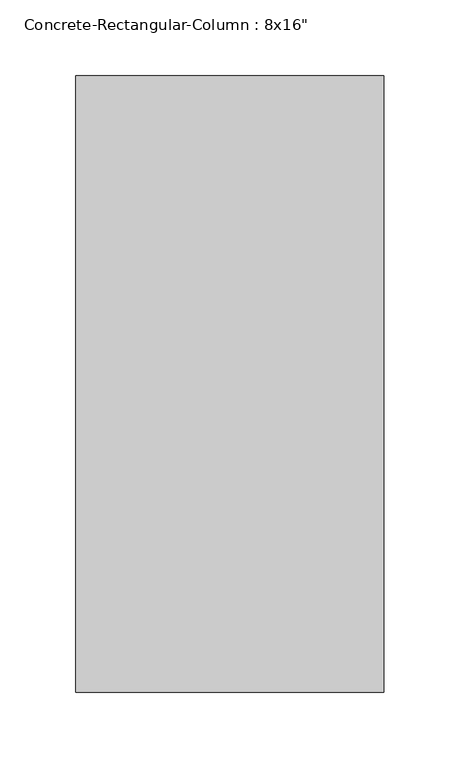
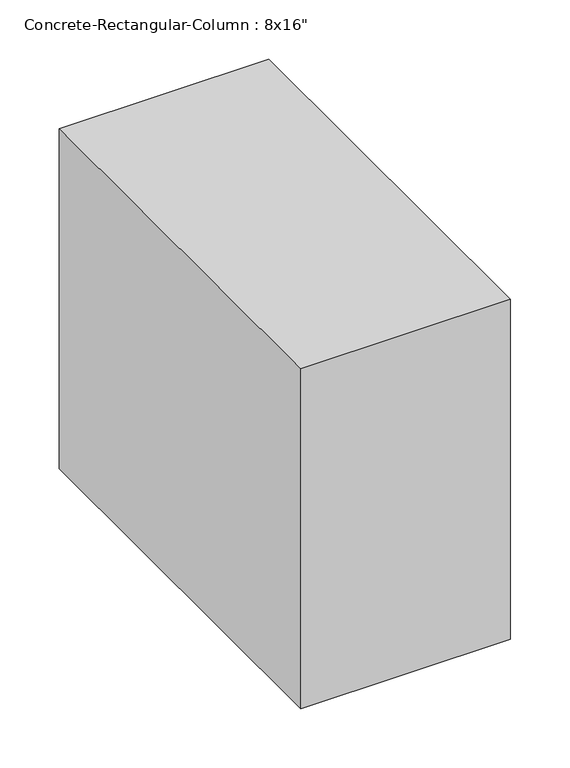
"""IFC4 building model written with IfcOpenShell, lengths in millimetres: column geometry."""

from ifc_helpers import new_model, si_unit, frame, origin, place, context, project, spatial, polyline, outline, extrude, source, transform, mapped, element, save


def column_2b03f782(model_context):
    return source(origin(), model_context, "Body", "SweptSolid", [
        extrude(outline(polyline([(101.6, 203.2), (101.6, -203.2), (-101.6, -203.2), (-101.6, 203.2), (101.6, 203.2)])), frame((0.0, 0.0, -761.3904), z_axis=(0.0, 0.0, 1.0), x_axis=(1.0, 0.0, 0.0)), (0.0, 0.0, 1.0), 349.1484),
    ])


if __name__ == "__main__":
    model = new_model("IFC4")
    model_context = context("Model", 3, world=origin())
    ifc_project = project(units=[si_unit("LENGTHUNIT", "METRE", prefix="MILLI")], contexts=[model_context])
    site = spatial("IfcSite", under=ifc_project)
    building = spatial("IfcBuilding", under=site)
    placement = place(None, origin())
    column_shape = column_2b03f782(model_context)
    element("IfcColumn", 1, ObjectType="Concrete-Rectangular-Column : 8x16\"", at=placement, inside=building, context=model_context, shape_type="MappedRepresentation", body=[
        mapped(column_shape, transform((0.0, 0.0, 0.0), x_axis=(1.0, 0.0, 0.0), y_axis=(0.0, 1.0, 0.0), z_axis=(0.0, 0.0, 1.0))),
    ])
    save(model, "model.ifc")
